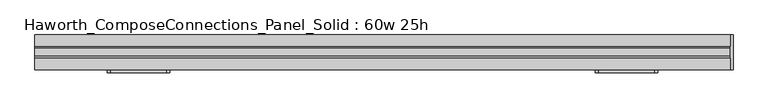
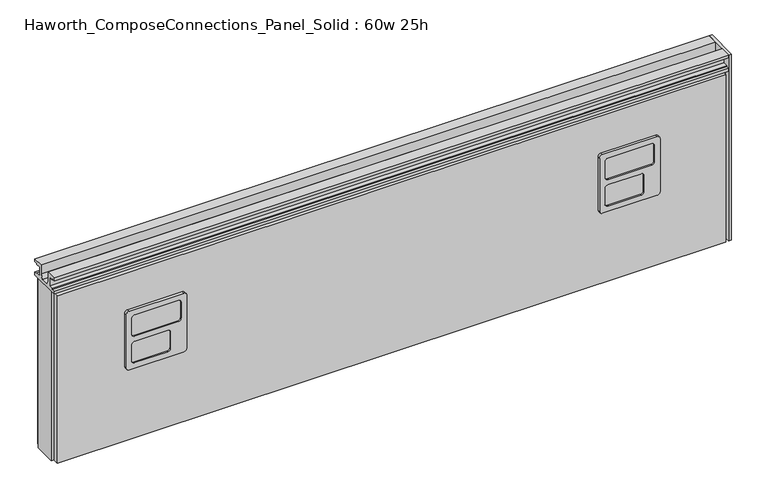
"""IFC4 building model written with IfcOpenShell, lengths in millimetres: furniture geometry, Haworth_ComposeConnections_Panel_Solid : 60w 25h."""

import ifcopenshell
import ifcopenshell.guid

model = None  # the IFC model being written
_history = None  # IfcOwnerHistory: only IFC2X3 demands one
_inside = {}  # id of a spatial element -> (the spatial element, [elements in it])
_under = {}  # id of a project, library or spatial element -> (it, [spatial elements below it])
_declared = {}  # id of a project -> (the project, [libraries it declares])
_typed = {}  # id of a type object -> (the type object, [elements of that type])
_made_of = {}  # id of a material, layer set ... -> (it, [elements and type objects made of it])


def new_model(schema):
    """Start an empty IFC model of exactly this schema.

    Asked for "IFC4X3", IfcOpenShell would pick the latest addendum, in which some entities
    have other attributes; the version numbers below select the first issue.
    IFC2X3 requires an IfcOwnerHistory on every rooted entity: one is made here for all.
    """
    global model, _history
    if schema == "IFC4X3":
        model = ifcopenshell.file(schema_version=(4, 3, 0, 0))
    else:
        model = ifcopenshell.file(schema=schema)
    _inside.clear()
    _under.clear()
    _declared.clear()
    _typed.clear()
    _made_of.clear()
    _history = None
    if model.schema == "IFC2X3":
        org = make("IfcOrganization", Name="unknown")
        user = make(
            "IfcPersonAndOrganization",
            ThePerson=make("IfcPerson", FamilyName="unknown"),
            TheOrganization=org,
        )
        app = make(
            "IfcApplication",
            ApplicationDeveloper=org,
            Version="unknown",
            ApplicationFullName="unknown",
            ApplicationIdentifier="unknown",
        )
        _history = make(
            "IfcOwnerHistory",
            OwningUser=user,
            OwningApplication=app,
            ChangeAction="ADDED",
            CreationDate=0,
        )
    return model


def make(cls, **values):
    """One entity of the class cls with the attributes given. An attribute that is None is left unset."""
    return model.create_entity(
        cls, **{name: value for name, value in values.items() if value is not None}
    )


def rooted(cls, **values):
    """An entity with a GlobalId (a new one), such as an element, a storey or a relation."""
    return make(cls, GlobalId=ifcopenshell.guid.new(), OwnerHistory=_history, **values)


def si_unit(unit_type, name, prefix=None):
    """IfcSIUnit, for example si_unit("LENGTHUNIT", "METRE", prefix="MILLI")."""
    return make("IfcSIUnit", UnitType=unit_type, Prefix=prefix, Name=name)


def assignment(units):
    """IfcUnitAssignment: the units of a project."""
    return None if units is None else make("IfcUnitAssignment", Units=units)


def point(xyz):
    """IfcCartesianPoint."""
    return None if xyz is None else make("IfcCartesianPoint", Coordinates=xyz)


def direction(xyz):
    """IfcDirection."""
    return None if xyz is None else make("IfcDirection", DirectionRatios=xyz)


def frame(location, z_axis=None, x_axis=None):
    """IfcAxis2Placement3D, a coordinate frame: its origin and axes. An axis left out is left unset."""
    return make(
        "IfcAxis2Placement3D",
        Location=point(location),
        Axis=direction(z_axis),
        RefDirection=direction(x_axis),
    )


def origin():
    """The frame at (0, 0, 0) with its axes left unset."""
    return frame((0.0, 0.0, 0.0))


def place(relative_to, where):
    """IfcLocalPlacement: puts the frame where relative to a parent placement (None: the world)."""
    return make(
        "IfcLocalPlacement", PlacementRelTo=relative_to, RelativePlacement=where
    )


def context(
    kind, dimensions, precision=None, world=None, true_north=None, identifier=None
):
    """IfcGeometricRepresentationContext, for example the 3D "Model" context."""
    return make(
        "IfcGeometricRepresentationContext",
        ContextIdentifier=identifier,
        ContextType=kind,
        CoordinateSpaceDimension=dimensions,
        Precision=precision,
        WorldCoordinateSystem=world,
        TrueNorth=true_north,
    )


def project(units=None, contexts=None):
    """IfcProject with its units and contexts."""
    return rooted(
        "IfcProject",
        Name="project",
        RepresentationContexts=contexts,
        UnitsInContext=assignment(units),
    )


def spatial(cls, under=None, at=None, **own):
    """A site, building, storey or space (cls), placed at a placement, below another one or the project."""
    s = rooted(cls, ObjectPlacement=at, **own)
    if under is not None:
        _under.setdefault(under.id(), (under, []))[1].append(s)
    return s


def polyline(points):
    """IfcPolyline through the points."""
    return make("IfcPolyline", Points=[point(p) for p in points])


def circle_curve(where, radius):
    """IfcCircle in the frame where."""
    return make("IfcCircle", Position=where, Radius=radius)


def outline(outer, holes=None, kind="AREA"):
    """IfcArbitraryClosedProfileDef: a profile drawn as a closed curve; with holes, ...WithVoids."""
    if holes is None:
        return make("IfcArbitraryClosedProfileDef", ProfileType=kind, OuterCurve=outer)
    return make(
        "IfcArbitraryProfileDefWithVoids",
        ProfileType=kind,
        OuterCurve=outer,
        InnerCurves=holes,
    )


def extrude(swept, where, along, depth):
    """IfcExtrudedAreaSolid: the profile swept, set in the frame where, extruded along a direction by depth."""
    return make(
        "IfcExtrudedAreaSolid",
        SweptArea=swept,
        Position=where,
        ExtrudedDirection=direction(along),
        Depth=depth,
    )


def shape(context_of_items, identifier, shape_type, items):
    """IfcShapeRepresentation: the items that make up one representation, for example the "Body"."""
    return make(
        "IfcShapeRepresentation",
        ContextOfItems=context_of_items,
        RepresentationIdentifier=identifier,
        RepresentationType=shape_type,
        Items=items,
    )


def source(mapping_origin, context_of_items, identifier, shape_type, items):
    """IfcRepresentationMap: a shape defined once, which mapped items show again and again."""
    return make(
        "IfcRepresentationMap",
        MappingOrigin=mapping_origin,
        MappedRepresentation=shape(context_of_items, identifier, shape_type, items),
    )


def transform(
    local_origin,
    x_axis=None,
    y_axis=None,
    z_axis=None,
    scale=None,
    scale2=None,
    scale3=None,
    uniform=True,
):
    """IfcCartesianTransformationOperator3D, or its non-uniform kind. x_axis, y_axis, z_axis: its Axis1, 2, 3."""
    if uniform:
        return make(
            "IfcCartesianTransformationOperator3D",
            Axis1=direction(x_axis),
            Axis2=direction(y_axis),
            LocalOrigin=point(local_origin),
            Scale=scale,
            Axis3=direction(z_axis),
        )
    return make(
        "IfcCartesianTransformationOperator3DnonUniform",
        Axis1=direction(x_axis),
        Axis2=direction(y_axis),
        LocalOrigin=point(local_origin),
        Scale=scale,
        Axis3=direction(z_axis),
        Scale2=scale2,
        Scale3=scale3,
    )


def mapped(mapping_source, mapping_target):
    """IfcMappedItem: shows the shape of a source again, moved by a transform."""
    return make(
        "IfcMappedItem", MappingSource=mapping_source, MappingTarget=mapping_target
    )


def made_of(thing, what):
    """Note that an element or type object is made of a material, layer set ...; save() writes the relation."""
    if what is not None:
        _made_of.setdefault(what.id(), (what, []))[1].append(thing)
    return thing


def element(
    cls,
    number,
    at=None,
    inside=None,
    cuts=None,
    type_object=None,
    material=None,
    context=None,
    identifier="Body",
    shape_type=None,
    held_by="IfcProductDefinitionShape",
    body=None,
    shapes=None,
    **own,
):
    """One element of the class cls, such as IfcWall. Its Tag is "e" and its number.

    at: its placement. inside: the storey or other place that contains it. cuts: it is an
    opening in that element (IfcRelVoidsElement). A single representation is given by context,
    identifier, shape_type and body (its items); several are given by shapes. held_by: the class
    of the entity that holds the representations. save() writes the other relations.
    """
    e = rooted(cls, Tag="e%d" % number, ObjectPlacement=at, **own)
    if body is not None:
        shapes = [shape(context, identifier, shape_type, body)]
    if shapes is not None:
        e.Representation = make(held_by, Representations=shapes)
    if inside is not None:
        _inside.setdefault(inside.id(), (inside, []))[1].append(e)
    if cuts is not None:
        rooted(
            "IfcRelVoidsElement", RelatingBuildingElement=cuts, RelatedOpeningElement=e
        )
    if type_object is not None:
        _typed.setdefault(type_object.id(), (type_object, []))[1].append(e)
    return made_of(e, material)


def aggregate(whole, parts):
    """IfcRelAggregates: a whole, such as a stair, and the parts it consists of."""
    return rooted("IfcRelAggregates", RelatingObject=whole, RelatedObjects=parts)


def save(model, path):
    """Write the relations noted so far, then the file.

    IfcRelAggregates (storeys below a building ...), IfcRelContainedInSpatialStructure (elements
    in a storey), IfcRelDefinesByType, IfcRelAssociatesMaterial and IfcRelDeclares: one each for
    every whole, place, type object, material and project.
    """
    for whole, parts in _under.values():
        aggregate(whole, parts)
    for where, things in _inside.values():
        rooted(
            "IfcRelContainedInSpatialStructure",
            RelatedElements=things,
            RelatingStructure=where,
        )
    for kind, things in _typed.values():
        rooted("IfcRelDefinesByType", RelatedObjects=things, RelatingType=kind)
    for what, things in _made_of.values():
        rooted("IfcRelAssociatesMaterial", RelatedObjects=things, RelatingMaterial=what)
    for by, libraries in _declared.values():
        rooted("IfcRelDeclares", RelatingContext=by, RelatedDefinitions=libraries)
    model.write(path)


def plane_surface(at):
    """IfcPlane: the flat surface through the origin of the frame at, square to its z axis."""
    return make("IfcPlane", Position=at)


def cylinder_surface(at, radius):
    """IfcCylindricalSurface: all points at the distance radius from the z axis of the frame at."""
    return make("IfcCylindricalSurface", Position=at, Radius=radius)


def revolved_surface(curve, axis_point, axis_direction):
    """IfcSurfaceOfRevolution: the curve turned about the line through axis_point along axis_direction."""
    return make(
        "IfcSurfaceOfRevolution",
        SweptCurve=make("IfcArbitraryOpenProfileDef", ProfileType="CURVE", Curve=curve),
        AxisPosition=make("IfcAxis1Placement", Location=point(axis_point), Axis=direction(axis_direction)),
    )


def advanced_brep(points, edges, surfaces, faces):
    """IfcAdvancedBrep: a solid bounded by faces that lie on surfaces and meet in shared edges.

    An edge is (start, end): straight between two places in points (the first is 0);
    or (start, end, curve); or (start, end, curve, False) where it runs against its curve.
    A face is (place in surfaces, loops), or (place, loops, False) where it looks against
    its surface's normal. A loop lists edges by number (the first is 1), with a minus sign
    where the edge is run from its end to its start. The first loop is the outer one.
    """
    corners = [point(p) for p in points]
    vertices = [make("IfcVertexPoint", VertexGeometry=c) for c in corners]
    made = []
    for start, end, *more in edges:
        made.append(
            make(
                "IfcEdgeCurve",
                EdgeStart=vertices[start],
                EdgeEnd=vertices[end],
                EdgeGeometry=more[0] if more else make("IfcPolyline", Points=[corners[start], corners[end]]),
                SameSense=more[1] if len(more) > 1 else True,
            )
        )
    hull = []
    for where, loops, *sense in faces:
        bounds = []
        for j, loop in enumerate(loops):
            ring = [make("IfcOrientedEdge", EdgeElement=made[abs(k) - 1], Orientation=k > 0) for k in loop]
            bounds.append(
                make(
                    "IfcFaceOuterBound" if j == 0 else "IfcFaceBound",
                    Bound=make("IfcEdgeLoop", EdgeList=ring),
                    Orientation=True,
                )
            )
        hull.append(make("IfcAdvancedFace", Bounds=bounds, FaceSurface=surfaces[where], SameSense=sense[0] if sense else True))
    return make("IfcAdvancedBrep", Outer=make("IfcClosedShell", CfsFaces=hull))


def haworth_composeconnections_panel_solid_60w_25h_3b82851a(model_context):
    return source(origin(), model_context, "Body", "SolidModel", [
        advanced_brep(
        [(-594.4597098, -38.1, 546.1), (-470.6347098, -38.1, 546.1), (-464.2847098, -38.1, 539.75), (-464.2847098, -38.1, 412.75), (-470.6347098, -38.1, 406.4), (-594.4597098, -38.1, 406.4), (-600.8097098, -38.1, 412.75), (-600.8097098, -38.1, 539.75), (-594.4597098, -44.45, 546.1), (-600.8097098, -44.45, 539.75), (-600.8097098, -44.45, 412.75), (-594.4597098, -44.45, 406.4), (-470.6347098, -44.45, 406.4), (-464.2847098, -44.45, 412.75), (-464.2847098, -44.45, 539.75), (-470.6347098, -44.45, 546.1), (-581.7597098, -44.45, 533.4), (-483.3347098, -44.45, 533.4), (-476.9847098, -44.45, 527.05), (-476.9847098, -44.45, 488.95), (-483.3347098, -44.45, 482.6), (-581.7597098, -44.45, 482.6), (-588.1097098, -44.45, 488.95), (-588.1097098, -44.45, 527.05), (-581.7597098, -44.45, 469.9), (-507.1472098, -44.45, 469.9), (-500.7972098, -44.45, 463.55), (-500.7972098, -44.45, 425.45), (-507.1472098, -44.45, 419.1), (-581.7597098, -44.45, 419.1), (-588.1097098, -44.45, 425.45), (-588.1097098, -44.45, 463.55), (-581.7597098, -41.275, 533.4), (-588.1097098, -41.275, 527.05), (-588.1097098, -41.275, 488.95), (-581.7597098, -41.275, 482.6), (-483.3347098, -41.275, 482.6), (-476.9847098, -41.275, 488.95), (-476.9847098, -41.275, 527.05), (-483.3347098, -41.275, 533.4), (-581.7597098, -41.275, 469.9), (-588.1097098, -41.275, 463.55), (-588.1097098, -41.275, 425.45), (-581.7597098, -41.275, 419.1), (-507.1472098, -41.275, 419.1), (-500.7972098, -41.275, 425.45), (-500.7972098, -41.275, 463.55), (-507.1472098, -41.275, 469.9)],
        [
            (0, 1),
            (1, 2, circle_curve(frame((-470.6347098, -38.1, 539.75), z_axis=(0.0, 1.0, 0.0), x_axis=(1.0, 0.0, 0.0)), 6.35)),
            (2, 3),
            (3, 4, circle_curve(frame((-470.6347098, -38.1, 412.75), z_axis=(0.0, 1.0, 0.0), x_axis=(1.0, 0.0, 0.0)), 6.35)),
            (4, 5),
            (5, 6, circle_curve(frame((-594.4597098, -38.1, 412.75), z_axis=(0.0, 1.0, 0.0), x_axis=(1.0, 0.0, 0.0)), 6.35)),
            (6, 7),
            (7, 0, circle_curve(frame((-594.4597098, -38.1, 539.75), z_axis=(0.0, 1.0, 0.0), x_axis=(1.0, 0.0, 0.0)), 6.35)),
            (8, 9, circle_curve(frame((-594.4597098, -44.45, 539.75), z_axis=(0.0, -1.0, 0.0), x_axis=(1.0, 0.0, 0.0)), 6.35)),
            (9, 10),
            (10, 11, circle_curve(frame((-594.4597098, -44.45, 412.75), z_axis=(0.0, -1.0, 0.0), x_axis=(1.0, 0.0, 0.0)), 6.35)),
            (11, 12),
            (12, 13, circle_curve(frame((-470.6347098, -44.45, 412.75), z_axis=(0.0, -1.0, 0.0), x_axis=(1.0, 0.0, 0.0)), 6.35)),
            (13, 14),
            (14, 15, circle_curve(frame((-470.6347098, -44.45, 539.75), z_axis=(0.0, -1.0, 0.0), x_axis=(1.0, 0.0, 0.0)), 6.35)),
            (15, 8),
            (16, 17),
            (17, 18, circle_curve(frame((-483.3347098, -44.45, 527.05), z_axis=(0.0, 1.0, 0.0), x_axis=(1.0, 0.0, 0.0)), 6.35)),
            (18, 19),
            (19, 20, circle_curve(frame((-483.3347098, -44.45, 488.95), z_axis=(0.0, 1.0, 0.0), x_axis=(1.0, 0.0, 0.0)), 6.35)),
            (20, 21),
            (21, 22, circle_curve(frame((-581.7597098, -44.45, 488.95), z_axis=(0.0, 1.0, 0.0), x_axis=(1.0, 0.0, 0.0)), 6.35)),
            (22, 23),
            (23, 16, circle_curve(frame((-581.7597098, -44.45, 527.05), z_axis=(0.0, 1.0, 0.0), x_axis=(1.0, 0.0, 0.0)), 6.35)),
            (24, 25),
            (25, 26, circle_curve(frame((-507.1472098, -44.45, 463.55), z_axis=(0.0, 1.0, 0.0), x_axis=(1.0, 0.0, 0.0)), 6.35)),
            (26, 27),
            (27, 28, circle_curve(frame((-507.1472098, -44.45, 425.45), z_axis=(0.0, 1.0, 0.0), x_axis=(1.0, 0.0, 0.0)), 6.35)),
            (28, 29),
            (29, 30, circle_curve(frame((-581.7597098, -44.45, 425.45), z_axis=(0.0, 1.0, 0.0), x_axis=(1.0, 0.0, 0.0)), 6.35)),
            (30, 31),
            (31, 24, circle_curve(frame((-581.7597098, -44.45, 463.55), z_axis=(0.0, 1.0, 0.0), x_axis=(1.0, 0.0, 0.0)), 6.35)),
            (7, 9),
            (8, 0),
            (6, 10),
            (5, 11),
            (4, 12),
            (3, 13),
            (2, 14),
            (1, 15),
            (32, 33, circle_curve(frame((-581.7597098, -41.275, 527.05), z_axis=(0.0, -1.0, 0.0), x_axis=(1.0, 0.0, 0.0)), 6.35)),
            (33, 34),
            (34, 35, circle_curve(frame((-581.7597098, -41.275, 488.95), z_axis=(0.0, -1.0, 0.0), x_axis=(1.0, 0.0, 0.0)), 6.35)),
            (35, 36),
            (36, 37, circle_curve(frame((-483.3347098, -41.275, 488.95), z_axis=(0.0, -1.0, 0.0), x_axis=(1.0, 0.0, 0.0)), 6.35)),
            (37, 38),
            (38, 39, circle_curve(frame((-483.3347098, -41.275, 527.05), z_axis=(0.0, -1.0, 0.0), x_axis=(1.0, 0.0, 0.0)), 6.35)),
            (39, 32),
            (40, 41, circle_curve(frame((-581.7597098, -41.275, 463.55), z_axis=(0.0, -1.0, 0.0), x_axis=(1.0, 0.0, 0.0)), 6.35)),
            (41, 42),
            (42, 43, circle_curve(frame((-581.7597098, -41.275, 425.45), z_axis=(0.0, -1.0, 0.0), x_axis=(1.0, 0.0, 0.0)), 6.35)),
            (43, 44),
            (44, 45, circle_curve(frame((-507.1472098, -41.275, 425.45), z_axis=(0.0, -1.0, 0.0), x_axis=(1.0, 0.0, 0.0)), 6.35)),
            (45, 46),
            (46, 47, circle_curve(frame((-507.1472098, -41.275, 463.55), z_axis=(0.0, -1.0, 0.0), x_axis=(1.0, 0.0, 0.0)), 6.35)),
            (47, 40),
            (32, 16),
            (23, 33),
            (22, 34),
            (21, 35),
            (20, 36),
            (19, 37),
            (18, 38),
            (17, 39),
            (40, 24),
            (31, 41),
            (30, 42),
            (29, 43),
            (28, 44),
            (27, 45),
            (26, 46),
            (25, 47),
        ],
        [
            plane_surface(frame((-588.1097098, -38.1, 539.75), z_axis=(0.0, 1.0, 0.0), x_axis=(0.0, 0.0, 1.0))),
            plane_surface(frame((-588.1097098, -44.45, 539.75), z_axis=(0.0, -1.0, 0.0), x_axis=(0.0, 0.0, -1.0))),
            cylinder_surface(frame((-594.4597098, -44.45, 539.75), z_axis=(0.0, 1.0, 0.0), x_axis=(1.0, 0.0, 0.0)), 6.35),
            plane_surface(frame((-600.8097098, -38.1, 539.75), z_axis=(-1.0, 0.0, 0.0), x_axis=(0.0, -1.0, 0.0))),
            cylinder_surface(frame((-594.4597098, -44.45, 412.75), z_axis=(0.0, 1.0, 0.0), x_axis=(1.0, 0.0, 0.0)), 6.35),
            plane_surface(frame((-594.4597098, -38.1, 406.4), z_axis=(0.0, 0.0, -1.0), x_axis=(0.0, -1.0, 0.0))),
            cylinder_surface(frame((-470.6347098, -44.45, 412.75), z_axis=(0.0, 1.0, 0.0), x_axis=(1.0, 0.0, 0.0)), 6.35),
            plane_surface(frame((-464.2847098, -38.1, 412.75), z_axis=(1.0, 0.0, 0.0), x_axis=(0.0, -1.0, 0.0))),
            cylinder_surface(frame((-470.6347098, -44.45, 539.75), z_axis=(0.0, 1.0, 0.0), x_axis=(1.0, 0.0, 0.0)), 6.35),
            plane_surface(frame((-470.6347098, -38.1, 546.1), z_axis=(0.0, 0.0, 1.0), x_axis=(0.0, -1.0, 0.0))),
            plane_surface(frame((-575.4097098, -41.275, 527.05), z_axis=(0.0, -1.0, 0.0), x_axis=(0.0, 0.0, 1.0))),
            revolved_surface(polyline([(-575.4097098, -41.275, 527.05), (-575.4097098, -44.45, 527.05)]), (-581.7597098, -44.45, 527.05), (0.0, 1.0, 0.0)),
            plane_surface(frame((-588.1097098, -41.275, 527.05), z_axis=(1.0, 0.0, 0.0), x_axis=(0.0, -1.0, 0.0))),
            revolved_surface(polyline([(-575.4097098, -41.275, 488.95), (-575.4097098, -44.45, 488.95)]), (-581.7597098, -44.45, 488.95), (0.0, 1.0, 0.0)),
            plane_surface(frame((-581.7597098, -41.275, 482.6), z_axis=(0.0, 0.0, 1.0), x_axis=(0.0, -1.0, 0.0))),
            revolved_surface(polyline([(-476.98470979999996, -41.275, 488.95), (-476.98470979999996, -44.45, 488.95)]), (-483.3347098, -44.45, 488.95), (0.0, 1.0, 0.0)),
            plane_surface(frame((-476.9847098, -41.275, 488.95), z_axis=(-1.0, 0.0, 0.0), x_axis=(0.0, -1.0, 0.0))),
            revolved_surface(polyline([(-476.98470979999996, -41.275, 527.05), (-476.98470979999996, -44.45, 527.05)]), (-483.3347098, -44.45, 527.05), (0.0, 1.0, 0.0)),
            plane_surface(frame((-483.3347098, -41.275, 533.4), z_axis=(0.0, 0.0, -1.0), x_axis=(0.0, -1.0, 0.0))),
            revolved_surface(polyline([(-575.4097098, -41.275, 463.55), (-575.4097098, -44.45, 463.55)]), (-581.7597098, -44.45, 463.55), (0.0, 1.0, 0.0)),
            plane_surface(frame((-588.1097098, -41.275, 463.55), z_axis=(1.0, 0.0, 0.0), x_axis=(0.0, -1.0, 0.0))),
            revolved_surface(polyline([(-575.4097098, -41.275, 425.45), (-575.4097098, -44.45, 425.45)]), (-581.7597098, -44.45, 425.45), (0.0, 1.0, 0.0)),
            plane_surface(frame((-581.7597098, -41.275, 419.1), z_axis=(0.0, 0.0, 1.0), x_axis=(0.0, -1.0, 0.0))),
            revolved_surface(polyline([(-500.79720979999996, -41.275, 425.45), (-500.79720979999996, -44.45, 425.45)]), (-507.1472098, -44.45, 425.45), (0.0, 1.0, 0.0)),
            plane_surface(frame((-500.7972098, -41.275, 425.45), z_axis=(-1.0, 0.0, 0.0), x_axis=(0.0, -1.0, 0.0))),
            revolved_surface(polyline([(-500.79720979999996, -41.275, 463.55), (-500.79720979999996, -44.45, 463.55)]), (-507.1472098, -44.45, 463.55), (0.0, 1.0, 0.0)),
            plane_surface(frame((-507.1472098, -41.275, 469.9), z_axis=(0.0, 0.0, -1.0), x_axis=(0.0, -1.0, 0.0))),
        ],
        [
            (0, [[1, 2, 3, 4, 5, 6, 7, 8]]),
            (1, [[9, 10, 11, 12, 13, 14, 15, 16], [17, 18, 19, 20, 21, 22, 23, 24], [25, 26, 27, 28, 29, 30, 31, 32]]),
            (2, [[33, -9, 34, -8]]),
            (3, [[35, -10, -33, -7]]),
            (4, [[36, -11, -35, -6]]),
            (5, [[37, -12, -36, -5]]),
            (6, [[38, -13, -37, -4]]),
            (7, [[39, -14, -38, -3]]),
            (8, [[40, -15, -39, -2]]),
            (9, [[-34, -16, -40, -1]]),
            (10, [[41, 42, 43, 44, 45, 46, 47, 48]]),
            (10, [[49, 50, 51, 52, 53, 54, 55, 56]]),
            (11, [[57, -24, 58, -41]]),
            (12, [[-58, -23, 59, -42]]),
            (13, [[-59, -22, 60, -43]]),
            (14, [[-60, -21, 61, -44]]),
            (15, [[-61, -20, 62, -45]]),
            (16, [[-62, -19, 63, -46]]),
            (17, [[-63, -18, 64, -47]]),
            (18, [[-64, -17, -57, -48]]),
            (19, [[65, -32, 66, -49]]),
            (20, [[-66, -31, 67, -50]]),
            (21, [[-67, -30, 68, -51]]),
            (22, [[-68, -29, 69, -52]]),
            (23, [[-69, -28, 70, -53]]),
            (24, [[-70, -27, 71, -54]]),
            (25, [[-71, -26, 72, -55]]),
            (26, [[-72, -25, -65, -56]]),
        ],
    ),
        advanced_brep(
        [(475.5152902, -38.1, 546.1), (599.3402902, -38.1, 546.1), (605.6902902, -38.1, 539.75), (605.6902902, -38.1, 412.75), (599.3402902, -38.1, 406.4), (475.5152902, -38.1, 406.4), (469.1652902, -38.1, 412.75), (469.1652902, -38.1, 539.75), (475.5152902, -44.45, 546.1), (469.1652902, -44.45, 539.75), (469.1652902, -44.45, 412.75), (475.5152902, -44.45, 406.4), (599.3402902, -44.45, 406.4), (605.6902902, -44.45, 412.75), (605.6902902, -44.45, 539.75), (599.3402902, -44.45, 546.1), (488.2152902, -44.45, 533.4), (586.6402902, -44.45, 533.4), (592.9902902, -44.45, 527.05), (592.9902902, -44.45, 488.95), (586.6402902, -44.45, 482.6), (488.2152902, -44.45, 482.6), (481.8652902, -44.45, 488.95), (481.8652902, -44.45, 527.05), (488.2152902, -44.45, 469.9), (562.8277902, -44.45, 469.9), (569.1777902, -44.45, 463.55), (569.1777902, -44.45, 425.45), (562.8277902, -44.45, 419.1), (488.2152902, -44.45, 419.1), (481.8652902, -44.45, 425.45), (481.8652902, -44.45, 463.55), (488.2152902, -41.275, 533.4), (481.8652902, -41.275, 527.05), (481.8652902, -41.275, 488.95), (488.2152902, -41.275, 482.6), (586.6402902, -41.275, 482.6), (592.9902902, -41.275, 488.95), (592.9902902, -41.275, 527.05), (586.6402902, -41.275, 533.4), (488.2152902, -41.275, 469.9), (481.8652902, -41.275, 463.55), (481.8652902, -41.275, 425.45), (488.2152902, -41.275, 419.1), (562.8277902, -41.275, 419.1), (569.1777902, -41.275, 425.45), (569.1777902, -41.275, 463.55), (562.8277902, -41.275, 469.9)],
        [
            (0, 1),
            (1, 2, circle_curve(frame((599.3402902, -38.1, 539.75), z_axis=(0.0, 1.0, 0.0), x_axis=(1.0, 0.0, 0.0)), 6.35)),
            (2, 3),
            (3, 4, circle_curve(frame((599.3402902, -38.1, 412.75), z_axis=(0.0, 1.0, 0.0), x_axis=(1.0, 0.0, 0.0)), 6.35)),
            (4, 5),
            (5, 6, circle_curve(frame((475.5152902, -38.1, 412.75), z_axis=(0.0, 1.0, 0.0), x_axis=(1.0, 0.0, 0.0)), 6.35)),
            (6, 7),
            (7, 0, circle_curve(frame((475.5152902, -38.1, 539.75), z_axis=(0.0, 1.0, 0.0), x_axis=(1.0, 0.0, 0.0)), 6.35)),
            (8, 9, circle_curve(frame((475.5152902, -44.45, 539.75), z_axis=(0.0, -1.0, 0.0), x_axis=(1.0, 0.0, 0.0)), 6.35)),
            (9, 10),
            (10, 11, circle_curve(frame((475.5152902, -44.45, 412.75), z_axis=(0.0, -1.0, 0.0), x_axis=(1.0, 0.0, 0.0)), 6.35)),
            (11, 12),
            (12, 13, circle_curve(frame((599.3402902, -44.45, 412.75), z_axis=(0.0, -1.0, 0.0), x_axis=(1.0, 0.0, 0.0)), 6.35)),
            (13, 14),
            (14, 15, circle_curve(frame((599.3402902, -44.45, 539.75), z_axis=(0.0, -1.0, 0.0), x_axis=(1.0, 0.0, 0.0)), 6.35)),
            (15, 8),
            (16, 17),
            (17, 18, circle_curve(frame((586.6402902, -44.45, 527.05), z_axis=(0.0, 1.0, 0.0), x_axis=(1.0, 0.0, 0.0)), 6.35)),
            (18, 19),
            (19, 20, circle_curve(frame((586.6402902, -44.45, 488.95), z_axis=(0.0, 1.0, 0.0), x_axis=(1.0, 0.0, 0.0)), 6.35)),
            (20, 21),
            (21, 22, circle_curve(frame((488.2152902, -44.45, 488.95), z_axis=(0.0, 1.0, 0.0), x_axis=(1.0, 0.0, 0.0)), 6.35)),
            (22, 23),
            (23, 16, circle_curve(frame((488.2152902, -44.45, 527.05), z_axis=(0.0, 1.0, 0.0), x_axis=(1.0, 0.0, 0.0)), 6.35)),
            (24, 25),
            (25, 26, circle_curve(frame((562.8277902, -44.45, 463.55), z_axis=(0.0, 1.0, 0.0), x_axis=(1.0, 0.0, 0.0)), 6.35)),
            (26, 27),
            (27, 28, circle_curve(frame((562.8277902, -44.45, 425.45), z_axis=(0.0, 1.0, 0.0), x_axis=(1.0, 0.0, 0.0)), 6.35)),
            (28, 29),
            (29, 30, circle_curve(frame((488.2152902, -44.45, 425.45), z_axis=(0.0, 1.0, 0.0), x_axis=(1.0, 0.0, 0.0)), 6.35)),
            (30, 31),
            (31, 24, circle_curve(frame((488.2152902, -44.45, 463.55), z_axis=(0.0, 1.0, 0.0), x_axis=(1.0, 0.0, 0.0)), 6.35)),
            (7, 9),
            (8, 0),
            (6, 10),
            (5, 11),
            (4, 12),
            (3, 13),
            (2, 14),
            (1, 15),
            (32, 33, circle_curve(frame((488.2152902, -41.275, 527.05), z_axis=(0.0, -1.0, 0.0), x_axis=(1.0, 0.0, 0.0)), 6.35)),
            (33, 34),
            (34, 35, circle_curve(frame((488.2152902, -41.275, 488.95), z_axis=(0.0, -1.0, 0.0), x_axis=(1.0, 0.0, 0.0)), 6.35)),
            (35, 36),
            (36, 37, circle_curve(frame((586.6402902, -41.275, 488.95), z_axis=(0.0, -1.0, 0.0), x_axis=(1.0, 0.0, 0.0)), 6.35)),
            (37, 38),
            (38, 39, circle_curve(frame((586.6402902, -41.275, 527.05), z_axis=(0.0, -1.0, 0.0), x_axis=(1.0, 0.0, 0.0)), 6.35)),
            (39, 32),
            (40, 41, circle_curve(frame((488.2152902, -41.275, 463.55), z_axis=(0.0, -1.0, 0.0), x_axis=(1.0, 0.0, 0.0)), 6.35)),
            (41, 42),
            (42, 43, circle_curve(frame((488.2152902, -41.275, 425.45), z_axis=(0.0, -1.0, 0.0), x_axis=(1.0, 0.0, 0.0)), 6.35)),
            (43, 44),
            (44, 45, circle_curve(frame((562.8277902, -41.275, 425.45), z_axis=(0.0, -1.0, 0.0), x_axis=(1.0, 0.0, 0.0)), 6.35)),
            (45, 46),
            (46, 47, circle_curve(frame((562.8277902, -41.275, 463.55), z_axis=(0.0, -1.0, 0.0), x_axis=(1.0, 0.0, 0.0)), 6.35)),
            (47, 40),
            (32, 16),
            (23, 33),
            (22, 34),
            (21, 35),
            (20, 36),
            (19, 37),
            (18, 38),
            (17, 39),
            (40, 24),
            (31, 41),
            (30, 42),
            (29, 43),
            (28, 44),
            (27, 45),
            (26, 46),
            (25, 47),
        ],
        [
            plane_surface(frame((481.8652902, -38.1, 539.75), z_axis=(0.0, 1.0, 0.0), x_axis=(0.0, 0.0, 1.0))),
            plane_surface(frame((481.8652902, -44.45, 539.75), z_axis=(0.0, -1.0, 0.0), x_axis=(0.0, 0.0, -1.0))),
            cylinder_surface(frame((475.5152902, -44.45, 539.75), z_axis=(0.0, 1.0, 0.0), x_axis=(1.0, 0.0, 0.0)), 6.35),
            plane_surface(frame((469.1652902, -38.1, 539.75), z_axis=(-1.0, 0.0, 0.0), x_axis=(0.0, -1.0, 0.0))),
            cylinder_surface(frame((475.5152902, -44.45, 412.75), z_axis=(0.0, 1.0, 0.0), x_axis=(1.0, 0.0, 0.0)), 6.35),
            plane_surface(frame((475.5152902, -38.1, 406.4), z_axis=(0.0, 0.0, -1.0), x_axis=(0.0, -1.0, 0.0))),
            cylinder_surface(frame((599.3402902, -44.45, 412.75), z_axis=(0.0, 1.0, 0.0), x_axis=(1.0, 0.0, 0.0)), 6.35),
            plane_surface(frame((605.6902902, -38.1, 412.75), z_axis=(1.0, 0.0, 0.0), x_axis=(0.0, -1.0, 0.0))),
            cylinder_surface(frame((599.3402902, -44.45, 539.75), z_axis=(0.0, 1.0, 0.0), x_axis=(1.0, 0.0, 0.0)), 6.35),
            plane_surface(frame((599.3402902, -38.1, 546.1), z_axis=(0.0, 0.0, 1.0), x_axis=(0.0, -1.0, 0.0))),
            plane_surface(frame((494.5652902, -41.275, 527.05), z_axis=(0.0, -1.0, 0.0), x_axis=(0.0, 0.0, 1.0))),
            revolved_surface(polyline([(494.56529020000005, -41.275, 527.05), (494.56529020000005, -44.45, 527.05)]), (488.2152902, -44.45, 527.05), (0.0, 1.0, 0.0)),
            plane_surface(frame((481.8652902, -41.275, 527.05), z_axis=(1.0, 0.0, 0.0), x_axis=(0.0, -1.0, 0.0))),
            revolved_surface(polyline([(494.56529020000005, -41.275, 488.95), (494.56529020000005, -44.45, 488.95)]), (488.2152902, -44.45, 488.95), (0.0, 1.0, 0.0)),
            plane_surface(frame((488.2152902, -41.275, 482.6), z_axis=(0.0, 0.0, 1.0), x_axis=(0.0, -1.0, 0.0))),
            revolved_surface(polyline([(592.9902902, -41.275, 488.95), (592.9902902, -44.45, 488.95)]), (586.6402902, -44.45, 488.95), (0.0, 1.0, 0.0)),
            plane_surface(frame((592.9902902, -41.275, 488.95), z_axis=(-1.0, 0.0, 0.0), x_axis=(0.0, -1.0, 0.0))),
            revolved_surface(polyline([(592.9902902, -41.275, 527.05), (592.9902902, -44.45, 527.05)]), (586.6402902, -44.45, 527.05), (0.0, 1.0, 0.0)),
            plane_surface(frame((586.6402902, -41.275, 533.4), z_axis=(0.0, 0.0, -1.0), x_axis=(0.0, -1.0, 0.0))),
            revolved_surface(polyline([(494.56529020000005, -41.275, 463.55), (494.56529020000005, -44.45, 463.55)]), (488.2152902, -44.45, 463.55), (0.0, 1.0, 0.0)),
            plane_surface(frame((481.8652902, -41.275, 463.55), z_axis=(1.0, 0.0, 0.0), x_axis=(0.0, -1.0, 0.0))),
            revolved_surface(polyline([(494.56529020000005, -41.275, 425.45), (494.56529020000005, -44.45, 425.45)]), (488.2152902, -44.45, 425.45), (0.0, 1.0, 0.0)),
            plane_surface(frame((488.2152902, -41.275, 419.1), z_axis=(0.0, 0.0, 1.0), x_axis=(0.0, -1.0, 0.0))),
            revolved_surface(polyline([(569.1777902, -41.275, 425.45), (569.1777902, -44.45, 425.45)]), (562.8277902, -44.45, 425.45), (0.0, 1.0, 0.0)),
            plane_surface(frame((569.1777902, -41.275, 425.45), z_axis=(-1.0, 0.0, 0.0), x_axis=(0.0, -1.0, 0.0))),
            revolved_surface(polyline([(569.1777902, -41.275, 463.55), (569.1777902, -44.45, 463.55)]), (562.8277902, -44.45, 463.55), (0.0, 1.0, 0.0)),
            plane_surface(frame((562.8277902, -41.275, 469.9), z_axis=(0.0, 0.0, -1.0), x_axis=(0.0, -1.0, 0.0))),
        ],
        [
            (0, [[1, 2, 3, 4, 5, 6, 7, 8]]),
            (1, [[9, 10, 11, 12, 13, 14, 15, 16], [17, 18, 19, 20, 21, 22, 23, 24], [25, 26, 27, 28, 29, 30, 31, 32]]),
            (2, [[33, -9, 34, -8]]),
            (3, [[35, -10, -33, -7]]),
            (4, [[36, -11, -35, -6]]),
            (5, [[37, -12, -36, -5]]),
            (6, [[38, -13, -37, -4]]),
            (7, [[39, -14, -38, -3]]),
            (8, [[40, -15, -39, -2]]),
            (9, [[-34, -16, -40, -1]]),
            (10, [[41, 42, 43, 44, 45, 46, 47, 48]]),
            (10, [[49, 50, 51, 52, 53, 54, 55, 56]]),
            (11, [[57, -24, 58, -41]]),
            (12, [[-58, -23, 59, -42]]),
            (13, [[-59, -22, 60, -43]]),
            (14, [[-60, -21, 61, -44]]),
            (15, [[-61, -20, 62, -45]]),
            (16, [[-62, -19, 63, -46]]),
            (17, [[-63, -18, 64, -47]]),
            (18, [[-64, -17, -57, -48]]),
            (19, [[65, -32, 66, -49]]),
            (20, [[-66, -31, 67, -50]]),
            (21, [[-67, -30, 68, -51]]),
            (22, [[-68, -29, 69, -52]]),
            (23, [[-69, -28, 70, -53]]),
            (24, [[-70, -27, 71, -54]]),
            (25, [[-71, -26, 72, -55]]),
            (26, [[-72, -25, -65, -56]]),
        ],
    ),
        extrude(outline(polyline([(38.1, 673.1), (30.6197, 673.1), (30.6197, 670.8139719), (19.6976996, 670.8139719), (19.6976996, 649.9860281), (30.6197, 649.9860281), (30.6197, 647.7), (38.0999989, 647.7), (38.0999989, 641.35), (-38.1000011, 641.35), (-38.1000011, 647.7), (-30.6197023, 647.7), (-30.6197023, 649.9860281), (-19.6977019, 649.9860281), (-19.6977019, 670.8139719), (-30.6197023, 670.8139719), (-30.6197023, 673.1), (-38.1000023, 673.1), (-38.1000023, 679.45), (-13.5001026, 679.45), (-13.5001026, 657.6828071), (-8.7648498, 647.7), (8.7648475, 647.7), (13.5001003, 657.6828071), (13.5001003, 679.45), (38.1, 679.45), (38.1, 673.1)])), frame((-759.5597098, 0.0, 0.0), z_axis=(1.0, 0.0, 0.0), x_axis=(0.0, 1.0, 0.0)), (0.0, 0.0, 1.0), 1524.0),
        extrude(outline(polyline([(770.7902902, -38.1), (764.4402902, -38.1), (764.4402902, 38.1), (770.7902902, 38.1), (770.7902902, -38.1)])), frame((0.0, 0.0, 234.95), z_axis=(0.0, 0.0, 1.0), x_axis=(1.0, 0.0, 0.0)), (0.0, 0.0, 1.0), 444.5),
        extrude(outline(polyline([(764.4402902, 25.4), (764.4402902, -25.4), (-759.5597098, -25.4), (-759.5597098, 25.4), (764.4402902, 25.4)])), frame((0.0, 0.0, 234.95), z_axis=(0.0, 0.0, 1.0), x_axis=(1.0, 0.0, 0.0)), (0.0, 0.0, 1.0), 406.4),
        extrude(outline(polyline([(-753.2097098, 25.4), (-753.2097098, 38.1), (758.0902902, 38.1), (758.0902902, 25.4), (-753.2097098, 25.4)])), frame((0.0, 0.0, 234.95), z_axis=(0.0, 0.0, 1.0), x_axis=(1.0, 0.0, 0.0)), (0.0, 0.0, 1.0), 400.05),
        extrude(outline(polyline([(-753.2097098, -38.1), (-753.2097098, -25.4), (758.0902902, -25.4), (758.0902902, -38.1), (-753.2097098, -38.1)])), frame((0.0, 0.0, 234.95), z_axis=(0.0, 0.0, 1.0), x_axis=(1.0, 0.0, 0.0)), (0.0, 0.0, 1.0), 400.05),
    ])


if __name__ == "__main__":
    model = new_model("IFC4")
    model_context = context("Model", 3, world=origin())
    ifc_project = project(units=[si_unit("LENGTHUNIT", "METRE", prefix="MILLI")], contexts=[model_context])
    site = spatial("IfcSite", under=ifc_project)
    building = spatial("IfcBuilding", under=site)
    placement = place(None, origin())
    haworth_composeconnections_panel_solid_60w_25h_shape = haworth_composeconnections_panel_solid_60w_25h_3b82851a(model_context)
    element("IfcFurniture", 1, ObjectType="Haworth_ComposeConnections_Panel_Solid : 60w 25h", at=placement, inside=building, context=model_context, shape_type="MappedRepresentation", body=[
        mapped(haworth_composeconnections_panel_solid_60w_25h_shape, transform((0.0, 0.0, 0.0), x_axis=(1.0, 0.0, 0.0), y_axis=(0.0, 1.0, 0.0), z_axis=(0.0, 0.0, 1.0))),
    ])
    save(model, "model.ifc")
